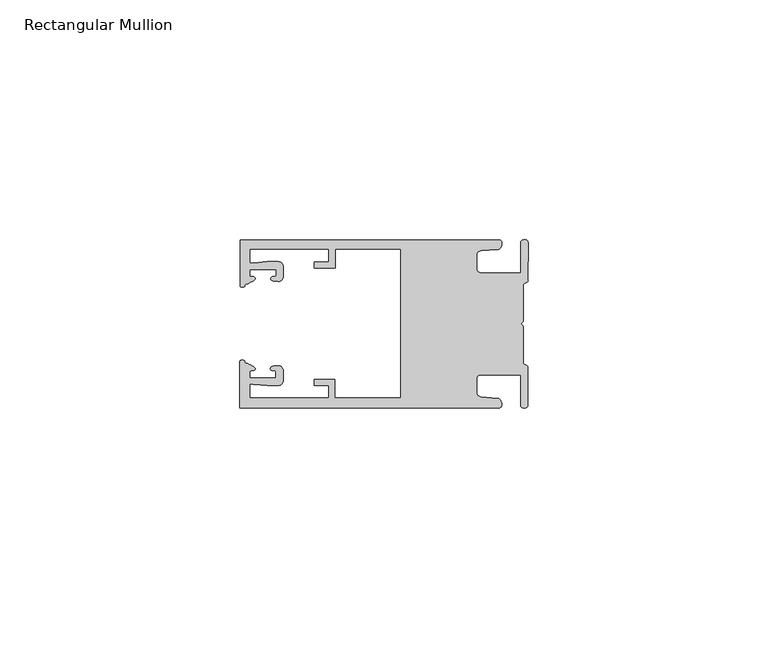
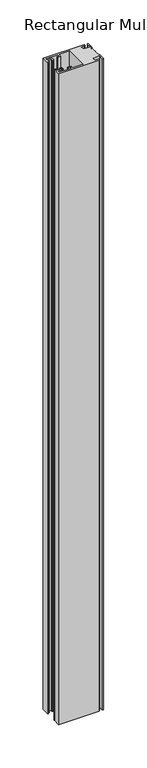
"""IFC4 building model written with IfcOpenShell, lengths in millimetres: member geometry, Rectangular Mullion."""

from ifc_helpers import new_model, si_unit, frame, origin, place, context, project, spatial, circle_curve, source, transform, mapped, element, save
from ifc_brep_helpers import plane_surface, cylinder_surface, extruded_surface, spline_curve, advanced_brep


def rectangular_mullion_aa63e0c1(model_context):
    return source(origin(), model_context, "Body", "AdvancedBrep", [
        advanced_brep(
        [(-60.0749377, 17.5111528, 0.0), (-60.0749377, 8.0140787, 0.0), (-59.3252567, 7.7187455, 0.0), (-58.4967974, 8.36785, 0.0), (-58.0726619, 10.1173923, 0.0), (-58.0713101, 11.3673916, 0.0), (-52.5713133, 11.3614437, 0.0), (-52.5726651, 10.1114444, 0.0), (-53.1427626, 8.8955539, 0.0), (-52.0740172, 8.8609044, 0.0), (-51.0729364, 9.8598224, 0.0), (-51.0706653, 11.9598211, 0.0), (-52.0700692, 12.9609024, 0.0), (-54.3905105, 12.9622843, 0.0), (-57.1599646, 12.7230061, 0.0), (-58.0696339, 12.9173907, 0.0), (-58.066768, 15.5673891, 0.0), (-41.5667584, 15.5673891, 0.0), (-41.5695894, 12.9495468, 0.0), (-44.5695877, 12.9527912, 0.0), (-44.5709936, 11.6527919, 0.0), (-40.2709961, 11.6481417, 0.0), (-40.2667576, 15.5673891, 0.0), (-26.6002952, 15.5673891, 0.0), (-26.6002952, -15.4518424, 0.0), (-40.3003032, -15.4518424, 0.0), (-40.2960856, -11.5518447, 0.0), (-44.5960831, -11.5471945, 0.0), (-44.597489, -12.8471938, 0.0), (-41.5974907, -12.8504381, 0.0), (-41.6003025, -15.4504366, 0.0), (-58.1002928, -15.4325927, 0.0), (-58.097427, -12.7825943, 0.0), (-57.1873395, -12.5901776, 0.0), (-54.4184094, -12.8354453, 0.0), (-52.0979705, -12.8390822, 0.0), (-51.0964037, -11.8401649, 0.0), (-51.0941327, -9.7401662, 0.0), (-52.0930507, -8.7390853, 0.0), (-53.1618685, -8.7714231, 0.0), (-52.5944022, -9.9885439, 0.0), (-52.595754, -11.2385431, 0.0), (-58.0957508, -11.2325952, 0.0), (-58.094399, -9.9825959, 0.0), (-58.5147494, -8.2321403, 0.0), (-59.3418028, -7.5812455, 0.0), (-60.0921208, -7.8749565, 0.0), (-60.0921208, -17.4888267, 0.0), (-6.1024861, -17.4888267, 0.0), (-6.5218639, -15.488372, 0.0), (-9.8784944, -15.2205466, 0.0), (-10.7989567, -14.2226333, 0.0), (-10.7961029, -11.5837474, 0.0), (-9.8734844, -10.5878272, 0.0), (-1.5950266, -10.5934991, 0.0), (-1.601948, -16.9936935, 0.0), (-0.1017194, -16.7830581, 0.0), (-0.0933208, -9.0170082, 0.0), (-1.0923837, -8.1499018, 0.0), (-1.0842165, -0.5977972, 0.0), (-1.0829111, 0.6093089, 0.0), (-1.0747439, 8.1614135, 0.0), (-0.0738079, 9.026357, 0.0), (-0.0654093, 16.7924069, 0.0), (-1.5651789, 17.0062866, 0.0), (-1.5651789, 10.6183257, 0.0), (-9.8505511, 10.6183257, 0.0), (-10.7710133, 11.6162391, 0.0), (-10.7681595, 14.255125, 0.0), (-9.845541, 15.2510452, 0.0), (-6.4883391, 15.5116099, 0.0), (-6.0646356, 17.5111528, 0.0), (-60.0749377, 17.5111528, -914.4), (-6.0646356, 17.5111528, -914.4), (-6.4883391, 15.5116099, -914.4), (-9.845541, 15.2510452, -914.4), (-10.7681595, 14.255125, -914.4), (-10.7710133, 11.6162391, -914.4), (-9.8505511, 10.6183257, -914.4), (-1.5651789, 10.6183257, -914.4), (-1.5651789, 17.0062866, -914.4), (-0.0654093, 16.7924069, -914.4), (-0.0738079, 9.026357, -914.4), (-1.0747439, 8.1614135, -914.4), (-1.0829111, 0.6093089, -914.4), (-1.0842165, -0.5977972, -914.4), (-1.0923837, -8.1499018, -914.4), (-0.0933208, -9.0170082, -914.4), (-0.1017194, -16.7830581, -914.4), (-1.601948, -16.9936935, -914.4), (-1.5950266, -10.5934991, -914.4), (-9.8734844, -10.5878272, -914.4), (-10.7961029, -11.5837474, -914.4), (-10.7989567, -14.2226333, -914.4), (-9.8784944, -15.2205466, -914.4), (-6.5218639, -15.488372, -914.4), (-6.1024861, -17.4888267, -914.4), (-60.0921208, -17.4888267, -914.4), (-60.0921208, -7.8749565, -914.4), (-59.3418028, -7.5812455, -914.4), (-58.5147494, -8.2321403, -914.4), (-58.094399, -9.9825959, -914.4), (-58.0957508, -11.2325952, -914.4), (-52.595754, -11.2385431, -914.4), (-52.5944022, -9.9885439, -914.4), (-53.1618685, -8.7714231, -914.4), (-52.0930507, -8.7390853, -914.4), (-51.0941327, -9.7401662, -914.4), (-51.0964037, -11.8401649, -914.4), (-52.0979705, -12.8390823, -914.4), (-54.4184094, -12.8354453, -914.4), (-57.1873395, -12.5901776, -914.4), (-58.097427, -12.7825943, -914.4), (-58.1002928, -15.4325927, -914.4), (-41.6003025, -15.4504366, -914.4), (-41.5974907, -12.8504381, -914.4), (-44.597489, -12.8471938, -914.4), (-44.5960831, -11.5471945, -914.4), (-40.2960856, -11.5518447, -914.4), (-40.3003032, -15.4518424, -914.4), (-26.6002952, -15.4518424, -914.4), (-26.6002952, 15.5673891, -914.4), (-40.2667576, 15.5673891, -914.4), (-40.2709961, 11.6481417, -914.4), (-44.5709936, 11.6527919, -914.4), (-44.5695877, 12.9527912, -914.4), (-41.5695894, 12.9495468, -914.4), (-41.5667584, 15.5673891, -914.4), (-58.066768, 15.5673891, -914.4), (-58.0696339, 12.9173907, -914.4), (-57.1599646, 12.7230061, -914.4), (-54.3905105, 12.9622843, -914.4), (-52.0700692, 12.9609023, -914.4), (-51.0706653, 11.9598211, -914.4), (-51.0729364, 9.8598224, -914.4), (-52.0740172, 8.8609044, -914.4), (-53.1427626, 8.8955539, -914.4), (-52.5726651, 10.1114444, -914.4), (-52.5713133, 11.3614437, -914.4), (-58.0713101, 11.3673916, -914.4), (-58.0726619, 10.1173923, -914.4), (-58.4967974, 8.36785, -914.4), (-59.3252567, 7.7187455, -914.4), (-60.0749377, 8.0140787, -914.4)],
        [
            (0, 1),
            (1, 2, spline_curve(3, [(-60.0749377, 8.0140787, 0.0), (-60.075233123, 7.740904774, 0.0), (-59.825339491, 7.642460332, 0.0), (-59.3252567, 7.7187455, 0.0)], [4, 4], [0.0, 0.0019169337574178654])),
            (2, 3, spline_curve(3, [(-59.3252567, 7.7187455, 0.0), (-59.094460914, 7.75918372, 0.0), (-59.054835463, 7.902257199, 0.0), (-59.05559987, 8.233305614, 0.0), (-59.138729113, 8.4134359, 0.0), (-58.4967974, 8.36785, 0.0)], [4, 2, 4], [0.0, 0.0010199524164107188, 0.0024874514725970356])),
            (3, 4, spline_curve(3, [(-58.4967974, 8.36785, 0.0), (-57.022393378, 9.053435667, 0.0), (-56.827266887, 9.364828726, 0.0), (-56.982213078, 9.742623404, 0.0), (-57.177375211, 9.855581791, 0.0), (-57.697928101, 9.887955071, 0.0), (-57.997449153, 9.835475348, 0.0), (-58.0726619, 10.1173923, 0.0)], [4, 2, 2, 4], [0.0, 0.003269869179570428, 0.005490050486237203, 0.0073545767114364426])),
            (4, 5),
            (5, 6),
            (6, 7),
            (7, 8, spline_curve(3, [(-52.5726651, 10.1114444, 0.0), (-52.667195519, 9.760172042, 0.0), (-52.937094388, 9.861877724, 0.0), (-53.356237032, 9.895631753, 0.0), (-53.491940439, 9.811038713, 0.0), (-53.761900775, 9.511438033, 0.0), (-53.892893546, 9.278787104, 0.0), (-53.1427626, 8.8955539, 0.0)], [4, 2, 2, 4], [0.0, 0.001593963049934732, 0.0033360256320283306, 0.005339140673503943])),
            (8, 9),
            (9, 10, circle_curve(frame((-52.0729358, 9.8609038, 0.0), z_axis=(0.0, 0.0, 1.0), x_axis=(-0.0010814451158600304, -0.9999994152380598, 0.0)), 1.0)),
            (10, 11),
            (11, 12, circle_curve(frame((-52.0706647, 11.9609026, 0.0), z_axis=(0.0, 0.0, 1.0), x_axis=(-0.0010814451158600304, -0.9999994152380598, 0.0)), 1.0)),
            (12, 13),
            (13, 14),
            (14, 15, spline_curve(3, [(-57.1599646, 12.7230061, 0.0), (-57.631533854, 12.682262968, 0.0), (-58.018602985, 12.477800124, 0.0), (-58.0696339, 12.9173907, 0.0)], [4, 4], [0.0, 0.0014803385355886016])),
            (15, 16),
            (16, 17),
            (17, 18),
            (18, 19),
            (19, 20),
            (20, 21),
            (21, 22),
            (22, 23),
            (23, 24),
            (24, 25),
            (25, 26),
            (26, 27),
            (27, 28),
            (28, 29),
            (29, 30),
            (30, 31),
            (31, 32),
            (32, 33, spline_curve(3, [(-58.097427, -12.7825943, 0.0), (-58.045445419, -12.343115126, 0.0), (-57.658819528, -12.548414611, 0.0), (-57.1873395, -12.5901776, 0.0)], [4, 4], [0.0, 0.0014803385355886016])),
            (33, 34),
            (34, 35),
            (35, 36, circle_curve(frame((-52.0964031, -11.8390835, 0.0), z_axis=(0.0, 0.0, 1.0), x_axis=(0.0010814451158600304, 0.9999994152380598, 0.0)), 1.0)),
            (36, 37),
            (37, 38, circle_curve(frame((-52.0941321, -9.7390847, 0.0), z_axis=(0.0, 0.0, 1.0), x_axis=(0.0010814451158600304, 0.9999994152380598, 0.0)), 1.0)),
            (38, 39),
            (39, 40, spline_curve(3, [(-53.1618685, -8.7714231, 0.0), (-53.912826582, -9.153032958, 0.0), (-53.782337352, -9.385966711, 0.0), (-53.51302565, -9.686150585, 0.0), (-53.377505444, -9.771037009, 0.0), (-52.958290774, -9.738189618, 0.0), (-52.688172635, -9.637067904, 0.0), (-52.5944022, -9.9885439, 0.0)], [4, 2, 2, 4], [0.0, 0.002003115041475612, 0.0037451776235692107, 0.005339140673503943])),
            (40, 41),
            (41, 42),
            (42, 43),
            (43, 44, spline_curve(3, [(-58.094399, -9.9825959, 0.0), (-58.018576674, -9.700842284, 0.0), (-57.719169706, -9.753969703, 0.0), (-57.198548014, -9.722722397, 0.0), (-57.003142178, -9.61018632, 0.0), (-56.847379222, -9.232727657, 0.0), (-57.041831673, -8.920913336, 0.0), (-58.5147494, -8.2321403, 0.0)], [4, 2, 2, 4], [0.0, 0.0018645262251992395, 0.004084707531866015, 0.0073545767114364426])),
            (44, 45, spline_curve(3, [(-58.5147494, -8.2321403, 0.0), (-59.156778208, -8.276337666, 0.0), (-59.073259494, -8.096387681, 0.0), (-59.071779067, -7.765341694, 0.0), (-59.111095017, -7.622182811, 0.0), (-59.3418028, -7.5812455, 0.0)], [4, 2, 4], [0.0, 0.0014674990561863168, 0.0024874514725970356])),
            (45, 46, spline_curve(3, [(-59.3418028, -7.5812455, 0.0), (-59.841719425, -7.503878887, 0.0), (-60.091825377, -7.601782574, 0.0), (-60.0921208, -7.8749565, 0.0)], [4, 4], [0.0, 0.0019169337574178654])),
            (46, 47),
            (47, 48),
            (48, 49, spline_curve(3, [(-6.1024861, -17.4888267, 0.0), (-5.074532184, -17.418062188, 0.0), (-5.631140689, -15.411414367, 0.0), (-6.5218639, -15.488372, 0.0)], [4, 4], [0.0, 0.0043819361547461745])),
            (49, 50),
            (50, 51, spline_curve(3, [(-9.8784944, -15.2205466, 0.0), (-10.440691543, -15.150698463, 0.0), (-10.74751234, -14.818060727, 0.0), (-10.7989567, -14.2226333, 0.0)], [4, 4], [0.0, 0.0028645797420738927])),
            (51, 52),
            (52, 53, spline_curve(3, [(-10.7961029, -11.5837474, 0.0), (-10.743370817, -10.988432634, 0.0), (-10.435831301, -10.656459204, 0.0), (-9.8734844, -10.5878272, 0.0)], [4, 4], [0.0, 0.0028645797420738927])),
            (53, 54),
            (54, 55),
            (55, 56, spline_curve(3, [(-1.601948, -16.9936935, 0.0), (-1.655676874, -17.600261454, 0.0), (-0.043737403, -17.912795581, 0.0), (-0.1017194, -16.7830581, 0.0)], [4, 4], [0.0, 0.0036987374396357936])),
            (56, 57),
            (57, 58, spline_curve(3, [(-0.0933208, -9.0170082, 0.0), (-0.018818183, -8.695886697, 0.0), (-1.193434327, -8.459763043, 0.0), (-1.0923837, -8.1499018, 0.0)], [4, 4], [0.0, 0.002027216749630121])),
            (58, 59),
            (59, 60, spline_curve(3, [(-1.0842165, -0.5977972, 0.0), (-1.013223198, -0.445980437, 0.0), (-1.487945123, -0.206736825, 0.0), (-1.487409651, 0.231097965, 0.0), (-0.999110985, 0.429090391, 0.0), (-1.0829111, 0.6093089, 0.0)], [4, 2, 4], [0.0, 0.00249866671847065, 0.005031402919736269])),
            (60, 61),
            (61, 62, spline_curve(3, [(-1.0747439, 8.1614135, 0.0), (-1.175124095, 8.47149258, 0.0), (-7e-09, 8.705075107, 0.0), (-0.0738079, 9.026357, 0.0)], [4, 4], [0.0, 0.002027216749630121])),
            (62, 63),
            (63, 64, spline_curve(3, [(-0.0654093, 16.7924069, 0.0), (-0.004983942, 17.92201633, 0.0), (-1.617595709, 17.612969344, 0.0), (-1.5651789, 17.0062866, 0.0)], [4, 4], [0.0, 0.0036987374396357936])),
            (64, 65),
            (65, 66),
            (66, 67, spline_curve(3, [(-9.8505511, 10.6183257, 0.0), (-10.412748243, 10.688173837, 0.0), (-10.71956894, 11.020811673, 0.0), (-10.7710133, 11.6162391, 0.0)], [4, 4], [0.0, 0.0028645797420738927])),
            (67, 68),
            (68, 69, spline_curve(3, [(-10.7681595, 14.255125, 0.0), (-10.715427417, 14.850439766, 0.0), (-10.407887901, 15.182413196, 0.0), (-9.845541, 15.2510452, 0.0)], [4, 4], [0.0, 0.0028645797420738927])),
            (69, 70),
            (70, 71, spline_curve(3, [(-6.4883391, 15.5116099, 0.0), (-5.597784423, 15.432725911, 0.0), (-5.036837144, 17.438165103, 0.0), (-6.0646356, 17.5111528, 0.0)], [4, 4], [0.0, 0.0043819361547461745])),
            (71, 0),
            (72, 73),
            (73, 74, spline_curve(3, [(-6.0646356, 17.5111528, -914.4), (-5.036837144, 17.438165103, -914.4), (-5.597784423, 15.432725911, -914.4), (-6.4883391, 15.5116099, -914.4)], [4, 4], [0.0, 0.0043819361547461745])),
            (74, 75),
            (75, 76, spline_curve(3, [(-9.845541, 15.2510452, -914.4), (-10.407887901, 15.182413196, -914.4), (-10.715427417, 14.850439766, -914.4), (-10.7681595, 14.255125, -914.4)], [4, 4], [0.0, 0.0028645797420738927])),
            (76, 77),
            (77, 78, spline_curve(3, [(-10.7710133, 11.6162391, -914.4), (-10.71956894, 11.020811673, -914.4), (-10.412748243, 10.688173837, -914.4), (-9.8505511, 10.6183257, -914.4)], [4, 4], [0.0, 0.0028645797420738927])),
            (78, 79),
            (79, 80),
            (80, 81, spline_curve(3, [(-1.5651789, 17.0062866, -914.4), (-1.617595709, 17.612969344, -914.4), (-0.004983942, 17.92201633, -914.4), (-0.0654093, 16.7924069, -914.4)], [4, 4], [0.0, 0.0036987374396357936])),
            (81, 82),
            (82, 83, spline_curve(3, [(-0.0738079, 9.026357, -914.4), (-7e-09, 8.705075107, -914.4), (-1.175124095, 8.47149258, -914.4), (-1.0747439, 8.1614135, -914.4)], [4, 4], [0.0, 0.002027216749630121])),
            (83, 84),
            (84, 85, spline_curve(3, [(-1.0829111, 0.6093089, -914.4), (-0.999110985, 0.429090391, -914.4), (-1.487409651, 0.231097965, -914.4), (-1.487945123, -0.206736825, -914.4), (-1.013223198, -0.445980437, -914.4), (-1.0842165, -0.5977972, -914.4)], [4, 2, 4], [0.0, 0.002532736201265619, 0.005031402919736269])),
            (85, 86),
            (86, 87, spline_curve(3, [(-1.0923837, -8.1499018, -914.4), (-1.193434327, -8.459763043, -914.4), (-0.018818183, -8.695886697, -914.4), (-0.0933208, -9.0170082, -914.4)], [4, 4], [0.0, 0.002027216749630121])),
            (87, 88),
            (88, 89, spline_curve(3, [(-0.1017194, -16.7830581, -914.4), (-0.043737403, -17.912795581, -914.4), (-1.655676874, -17.600261454, -914.4), (-1.601948, -16.9936935, -914.4)], [4, 4], [0.0, 0.0036987374396357936])),
            (89, 90),
            (90, 91),
            (91, 92, spline_curve(3, [(-9.8734844, -10.5878272, -914.4), (-10.435831301, -10.656459204, -914.4), (-10.743370817, -10.988432634, -914.4), (-10.7961029, -11.5837474, -914.4)], [4, 4], [0.0, 0.0028645797420738927])),
            (92, 93),
            (93, 94, spline_curve(3, [(-10.7989567, -14.2226333, -914.4), (-10.74751234, -14.818060727, -914.4), (-10.440691543, -15.150698463, -914.4), (-9.8784944, -15.2205466, -914.4)], [4, 4], [0.0, 0.0028645797420738927])),
            (94, 95),
            (95, 96, spline_curve(3, [(-6.5218639, -15.488372, -914.4), (-5.631140689, -15.411414367, -914.4), (-5.074532184, -17.418062188, -914.4), (-6.1024861, -17.4888267, -914.4)], [4, 4], [0.0, 0.0043819361547461745])),
            (96, 97),
            (97, 98),
            (98, 99, spline_curve(3, [(-60.0921208, -7.8749565, -914.4), (-60.091825377, -7.601782574, -914.4), (-59.841719425, -7.503878887, -914.4), (-59.3418028, -7.5812455, -914.4)], [4, 4], [0.0, 0.0019169337574178654])),
            (99, 100, spline_curve(3, [(-59.3418028, -7.5812455, -914.4), (-59.111095017, -7.622182811, -914.4), (-59.071779067, -7.765341694, -914.4), (-59.073259494, -8.096387681, -914.4), (-59.156778208, -8.276337666, -914.4), (-58.5147494, -8.2321403, -914.4)], [4, 2, 4], [0.0, 0.0010199524164107188, 0.0024874514725970356])),
            (100, 101, spline_curve(3, [(-58.5147494, -8.2321403, -914.4), (-57.041831673, -8.920913336, -914.4), (-56.847379222, -9.232727657, -914.4), (-57.003142178, -9.61018632, -914.4), (-57.198548014, -9.722722397, -914.4), (-57.719169706, -9.753969703, -914.4), (-58.018576674, -9.700842284, -914.4), (-58.094399, -9.9825959, -914.4)], [4, 2, 2, 4], [0.0, 0.003269869179570428, 0.005490050486237203, 0.0073545767114364426])),
            (101, 102),
            (102, 103),
            (103, 104),
            (104, 105, spline_curve(3, [(-52.5944022, -9.9885439, -914.4), (-52.688172635, -9.637067904, -914.4), (-52.958290774, -9.738189618, -914.4), (-53.377505444, -9.771037009, -914.4), (-53.51302565, -9.686150585, -914.4), (-53.782337352, -9.385966711, -914.4), (-53.912826582, -9.153032958, -914.4), (-53.1618685, -8.7714231, -914.4)], [4, 2, 2, 4], [0.0, 0.001593963049934732, 0.0033360256320283306, 0.005339140673503943])),
            (105, 106),
            (106, 107, circle_curve(frame((-52.0941321, -9.7390847, -914.4), z_axis=(0.0, 0.0, -1.0), x_axis=(0.0010814451158600304, 0.9999994152380598, 0.0)), 1.0)),
            (107, 108),
            (108, 109, circle_curve(frame((-52.0964031, -11.8390835, -914.4), z_axis=(0.0, 0.0, -1.0), x_axis=(0.0010814451158600304, 0.9999994152380598, 0.0)), 1.0)),
            (109, 110),
            (110, 111),
            (111, 112, spline_curve(3, [(-57.1873395, -12.5901776, -914.4), (-57.658819528, -12.548414611, -914.4), (-58.045445419, -12.343115126, -914.4), (-58.097427, -12.7825943, -914.4)], [4, 4], [0.0, 0.0014803385355886016])),
            (112, 113),
            (113, 114),
            (114, 115),
            (115, 116),
            (116, 117),
            (117, 118),
            (118, 119),
            (119, 120),
            (120, 121),
            (121, 122),
            (122, 123),
            (123, 124),
            (124, 125),
            (125, 126),
            (126, 127),
            (127, 128),
            (128, 129),
            (129, 130, spline_curve(3, [(-58.0696339, 12.9173907, -914.4), (-58.018602985, 12.477800124, -914.4), (-57.631533854, 12.682262968, -914.4), (-57.1599646, 12.7230061, -914.4)], [4, 4], [0.0, 0.0014803385355886016])),
            (130, 131),
            (131, 132),
            (132, 133, circle_curve(frame((-52.0706647, 11.9609026, -914.4), z_axis=(0.0, 0.0, -1.0), x_axis=(-0.0010814451158600304, -0.9999994152380598, 0.0)), 1.0)),
            (133, 134),
            (134, 135, circle_curve(frame((-52.0729358, 9.8609038, -914.4), z_axis=(0.0, 0.0, -1.0), x_axis=(-0.0010814451158600304, -0.9999994152380598, 0.0)), 1.0)),
            (135, 136),
            (136, 137, spline_curve(3, [(-53.1427626, 8.8955539, -914.4), (-53.892893546, 9.278787104, -914.4), (-53.761900775, 9.511438033, -914.4), (-53.491940439, 9.811038713, -914.4), (-53.356237032, 9.895631753, -914.4), (-52.937094388, 9.861877724, -914.4), (-52.667195519, 9.760172042, -914.4), (-52.5726651, 10.1114444, -914.4)], [4, 2, 2, 4], [0.0, 0.002003115041475612, 0.0037451776235692107, 0.005339140673503943])),
            (137, 138),
            (138, 139),
            (139, 140),
            (140, 141, spline_curve(3, [(-58.0726619, 10.1173923, -914.4), (-57.997449153, 9.835475348, -914.4), (-57.697928101, 9.887955071, -914.4), (-57.177375211, 9.855581791, -914.4), (-56.982213078, 9.742623404, -914.4), (-56.827266887, 9.364828726, -914.4), (-57.022393378, 9.053435667, -914.4), (-58.4967974, 8.36785, -914.4)], [4, 2, 2, 4], [0.0, 0.0018645262251992395, 0.004084707531866015, 0.0073545767114364426])),
            (141, 142, spline_curve(3, [(-58.4967974, 8.36785, -914.4), (-59.138729113, 8.4134359, -914.4), (-59.05559987, 8.233305614, -914.4), (-59.054835463, 7.902257199, -914.4), (-59.094460914, 7.75918372, -914.4), (-59.3252567, 7.7187455, -914.4)], [4, 2, 4], [0.0, 0.0014674990561863168, 0.0024874514725970356])),
            (142, 143, spline_curve(3, [(-59.3252567, 7.7187455, -914.4), (-59.825339491, 7.642460332, -914.4), (-60.075233123, 7.740904774, -914.4), (-60.0749377, 8.0140787, -914.4)], [4, 4], [0.0, 0.0019169337574178654])),
            (143, 72),
            (0, 72),
            (143, 1),
            (142, 2),
            (141, 3),
            (140, 4),
            (139, 5),
            (138, 6),
            (137, 7),
            (136, 8),
            (135, 9),
            (134, 10),
            (133, 11),
            (132, 12),
            (131, 13),
            (130, 14),
            (129, 15),
            (128, 16),
            (127, 17),
            (126, 18),
            (125, 19),
            (124, 20),
            (123, 21),
            (122, 22),
            (121, 23),
            (120, 24),
            (119, 25),
            (118, 26),
            (117, 27),
            (116, 28),
            (115, 29),
            (114, 30),
            (113, 31),
            (112, 32),
            (111, 33),
            (110, 34),
            (109, 35),
            (108, 36),
            (107, 37),
            (106, 38),
            (105, 39),
            (104, 40),
            (103, 41),
            (102, 42),
            (101, 43),
            (100, 44),
            (99, 45),
            (98, 46),
            (97, 47),
            (96, 48),
            (95, 49),
            (94, 50),
            (93, 51),
            (92, 52),
            (91, 53),
            (90, 54),
            (89, 55),
            (88, 56),
            (87, 57),
            (86, 58),
            (85, 59),
            (84, 60),
            (83, 61),
            (82, 62),
            (81, 63),
            (80, 64),
            (79, 65),
            (78, 66),
            (77, 67),
            (76, 68),
            (75, 69),
            (74, 70),
            (73, 71),
        ],
        [
            plane_surface(frame((0.0, -62.5853181, 0.0), z_axis=(0.0, 0.0, 1.0), x_axis=(-1.0, 0.0, 0.0))),
            plane_surface(frame((0.0, -62.5853181, -914.4), z_axis=(0.0, 0.0, -1.0), x_axis=(-1.0, 0.0, 0.0))),
            plane_surface(frame((-60.0749377, 17.5111528, 0.0), z_axis=(-1.0, 0.0, 0.0), x_axis=(0.0, 0.0, -1.0))),
            extruded_surface(spline_curve(3, [(-60.0749377, 8.0140787, -914.4), (-60.075233123, 7.740904774, -914.4), (-59.825339491, 7.642460332, -914.4), (-59.3252567, 7.7187455, -914.4)], [4, 4], [0.0, 0.0019169337574178654]), (0.0, 0.0, 914.4), 914.4),
            extruded_surface(spline_curve(3, [(-59.3252567, 7.7187455, -914.4), (-59.094460914, 7.75918372, -914.4), (-59.054835463, 7.902257199, -914.4), (-59.05559987, 8.233305614, -914.4), (-59.138729113, 8.4134359, -914.4), (-58.4967974, 8.36785, -914.4)], [4, 2, 4], [0.0, 0.0010199524164107188, 0.0024874514725970356]), (0.0, 0.0, 914.4), 914.4),
            extruded_surface(spline_curve(3, [(-58.4967974, 8.36785, -914.4), (-57.022393378, 9.053435667, -914.4), (-56.827266887, 9.364828726, -914.4), (-56.982213078, 9.742623404, -914.4), (-57.177375211, 9.855581791, -914.4), (-57.697928101, 9.887955071, -914.4), (-57.997449153, 9.835475348, -914.4), (-58.0726619, 10.1173923, -914.4)], [4, 2, 2, 4], [0.0, 0.003269869179570428, 0.005490050486237203, 0.0073545767114364426]), (0.0, 0.0, 914.4), 914.4),
            plane_surface(frame((-58.0726619, 10.1173923, 0.0), z_axis=(0.9999994152380598, -0.0010814451158634145, 0.0), x_axis=(0.0, 0.0, -1.0))),
            plane_surface(frame((-58.0713101, 11.3673916, 0.0), z_axis=(-0.0010814451158616418, -0.9999994152380598, 0.0), x_axis=(0.0, 0.0, -1.0))),
            plane_surface(frame((-52.5713133, 11.3614437, 0.0), z_axis=(-0.9999994152380598, 0.0010814451158643293, 0.0), x_axis=(0.0, 0.0, -1.0))),
            extruded_surface(spline_curve(3, [(-52.5726651, 10.1114444, -914.4), (-52.667195519, 9.760172042, -914.4), (-52.937094388, 9.861877724, -914.4), (-53.356237032, 9.895631753, -914.4), (-53.491940439, 9.811038713, -914.4), (-53.761900775, 9.511438033, -914.4), (-53.892893546, 9.278787104, -914.4), (-53.1427626, 8.8955539, -914.4)], [4, 2, 2, 4], [0.0, 0.001593963049934732, 0.0033360256320283306, 0.005339140673503943]), (0.0, 0.0, 914.4), 914.4),
            plane_surface(frame((-53.1427626, 8.8955539, 0.0), z_axis=(-0.032403661401520414, -0.9994748634797054, 0.0), x_axis=(0.0, 0.0, -1.0))),
            cylinder_surface(frame((-52.0729358, 9.8609038, 0.0), z_axis=(0.0, 0.0, 1.0000000000000002), x_axis=(-0.0010814451158600304, -0.9999994152380598, 0.0)), 1.0),
            plane_surface(frame((-51.0729364, 9.8598224, 0.0), z_axis=(0.9999994152380598, -0.001081445115864059, 0.0), x_axis=(0.0, 0.0, -1.0))),
            cylinder_surface(frame((-52.0706647, 11.9609026, 0.0), z_axis=(0.0, 0.0, 1.0000000000000002), x_axis=(-0.0010814451158600304, -0.9999994152380598, 0.0)), 1.0),
            plane_surface(frame((-52.0700692, 12.9609023, 0.0), z_axis=(0.0005955716436318007, 0.999999822647193, 0.0), x_axis=(0.0, 0.0, -1.0))),
            plane_surface(frame((-54.3905105, 12.9622843, 0.0), z_axis=(-0.08607836189159865, 0.9962883697073147, 0.0), x_axis=(0.0, 0.0, -1.0))),
            extruded_surface(spline_curve(3, [(-57.1599646, 12.7230061, -914.4), (-57.631533854, 12.682262968, -914.4), (-58.018602985, 12.477800124, -914.4), (-58.0696339, 12.9173907, -914.4)], [4, 4], [0.0, 0.0014803385355886016]), (0.0, 0.0, 914.4), 914.4),
            plane_surface(frame((-58.0696339, 12.9173907, 0.0), z_axis=(0.9999994152380598, -0.0010814451158629996, 0.0), x_axis=(0.0, 0.0, -1.0))),
            plane_surface(frame((-58.066768, 15.5673891, 0.0), z_axis=(0.0, -1.0, 0.0), x_axis=(0.0, 0.0, -1.0))),
            plane_surface(frame((-41.5667584, 15.5673891, 0.0), z_axis=(-0.9999994152380598, 0.0010814451158636304, 0.0), x_axis=(0.0, 0.0, -1.0))),
            plane_surface(frame((-41.5695894, 12.9495468, 0.0), z_axis=(0.0010814451158615687, 0.9999994152380598, 0.0), x_axis=(0.0, 0.0, -1.0))),
            plane_surface(frame((-44.5695877, 12.9527912, 0.0), z_axis=(-0.9999994152380598, 0.0010814451158626742, 0.0), x_axis=(0.0, 0.0, -1.0))),
            plane_surface(frame((-44.5709936, 11.6527919, 0.0), z_axis=(-0.001081445115861604, -0.9999994152380598, 0.0), x_axis=(0.0, 0.0, -1.0))),
            plane_surface(frame((-40.2709961, 11.6481417, 0.0), z_axis=(0.9999994152380598, -0.001081445115863507, 0.0), x_axis=(0.0, 0.0, -1.0))),
            plane_surface(frame((-40.2667576, 15.5673891, 0.0), z_axis=(0.0, -1.0, 0.0), x_axis=(0.0, 0.0, -1.0))),
            plane_surface(frame((-26.6002952, 15.5673891, 0.0), z_axis=(-1.0, 0.0, 0.0), x_axis=(0.0, 0.0, -1.0))),
            plane_surface(frame((-26.6002952, -15.4518424, 0.0), z_axis=(0.0, 1.0, 0.0), x_axis=(0.0, 0.0, -1.0))),
            plane_surface(frame((-40.3003032, -15.4518424, 0.0), z_axis=(0.9999994152380598, -0.0010814451158565538, 0.0), x_axis=(0.0, 0.0, -1.0))),
            plane_surface(frame((-40.2960856, -11.5518447, 0.0), z_axis=(0.0010814451158584568, 0.9999994152380598, 0.0), x_axis=(0.0, 0.0, -1.0))),
            plane_surface(frame((-44.5960831, -11.5471945, 0.0), z_axis=(-0.9999994152380598, 0.0010814451158573867, 0.0), x_axis=(0.0, 0.0, -1.0))),
            plane_surface(frame((-44.597489, -12.8471938, 0.0), z_axis=(-0.0010814451158584922, -0.9999994152380598, 0.0), x_axis=(0.0, 0.0, -1.0))),
            plane_surface(frame((-41.5974907, -12.8504381, 0.0), z_axis=(-0.9999994152380598, 0.0010814451158564305, 0.0), x_axis=(0.0, 0.0, -1.0))),
            plane_surface(frame((-41.6003025, -15.4504366, 0.0), z_axis=(0.0010814451158583872, 0.9999994152380598, 0.0), x_axis=(0.0, 0.0, -1.0))),
            plane_surface(frame((-58.1002928, -15.4325927, 0.0), z_axis=(0.9999994152380598, -0.0010814451158570612, 0.0), x_axis=(0.0, 0.0, -1.0))),
            extruded_surface(spline_curve(3, [(-58.097427, -12.7825943, -914.4), (-58.045445419, -12.343115126, -914.4), (-57.658819528, -12.548414611, -914.4), (-57.1873395, -12.5901776, -914.4)], [4, 4], [0.0, 0.0014803385355886016]), (0.0, 0.0, 914.4), 914.4),
            plane_surface(frame((-57.1873395, -12.5901776, 0.0), z_axis=(-0.0882330216729926, -0.9960998614026876, 0.0), x_axis=(0.0, 0.0, -1.0))),
            plane_surface(frame((-54.4184094, -12.8354453, 0.0), z_axis=(-0.0015673183327880543, -0.9999987717558677, 0.0), x_axis=(0.0, 0.0, -1.0))),
            cylinder_surface(frame((-52.0964031, -11.8390835, 0.0), z_axis=(0.0, 0.0, 1.0000000000000002), x_axis=(0.0010814451158600304, 0.9999994152380598, 0.0)), 1.0),
            plane_surface(frame((-51.0964037, -11.8401649, 0.0), z_axis=(0.9999994152380598, -0.001081445115856002, 0.0), x_axis=(0.0, 0.0, -1.0))),
            cylinder_surface(frame((-52.0941321, -9.7390847, 0.0), z_axis=(0.0, 0.0, 1.0000000000000002), x_axis=(0.0010814451158600304, 0.9999994152380598, 0.0)), 1.0),
            plane_surface(frame((-52.0930507, -8.7390853, 0.0), z_axis=(-0.030241832452872642, 0.9995426111826812, 0.0), x_axis=(0.0, 0.0, -1.0))),
            extruded_surface(spline_curve(3, [(-53.1618685, -8.7714231, -914.4), (-53.912826582, -9.153032958, -914.4), (-53.782337352, -9.385966711, -914.4), (-53.51302565, -9.686150585, -914.4), (-53.377505444, -9.771037009, -914.4), (-52.958290774, -9.738189618, -914.4), (-52.688172635, -9.637067904, -914.4), (-52.5944022, -9.9885439, -914.4)], [4, 2, 2, 4], [0.0, 0.002003115041475612, 0.0037451776235692107, 0.005339140673503943]), (0.0, 0.0, 914.4), 914.4),
            plane_surface(frame((-52.5944022, -9.9885439, 0.0), z_axis=(-0.9999994152380598, 0.0010814451158557316, 0.0), x_axis=(0.0, 0.0, -1.0))),
            plane_surface(frame((-52.595754, -11.2385431, 0.0), z_axis=(0.001081445115858419, 0.9999994152380598, 0.0), x_axis=(0.0, 0.0, -1.0))),
            plane_surface(frame((-58.0957508, -11.2325952, 0.0), z_axis=(0.9999994152380598, -0.0010814451158566464, 0.0), x_axis=(0.0, 0.0, -1.0))),
            extruded_surface(spline_curve(3, [(-58.094399, -9.9825959, -914.4), (-58.018576674, -9.700842284, -914.4), (-57.719169706, -9.753969703, -914.4), (-57.198548014, -9.722722397, -914.4), (-57.003142178, -9.61018632, -914.4), (-56.847379222, -9.232727657, -914.4), (-57.041831673, -8.920913336, -914.4), (-58.5147494, -8.2321403, -914.4)], [4, 2, 2, 4], [0.0, 0.0018645262251992395, 0.004084707531866015, 0.0073545767114364426]), (0.0, 0.0, 914.4), 914.4),
            extruded_surface(spline_curve(3, [(-58.5147494, -8.2321403, -914.4), (-59.156778208, -8.276337666, -914.4), (-59.073259494, -8.096387681, -914.4), (-59.071779067, -7.765341694, -914.4), (-59.111095017, -7.622182811, -914.4), (-59.3418028, -7.5812455, -914.4)], [4, 2, 4], [0.0, 0.0014674990561863168, 0.0024874514725970356]), (0.0, 0.0, 914.4), 914.4),
            extruded_surface(spline_curve(3, [(-59.3418028, -7.5812455, -914.4), (-59.841719425, -7.503878887, -914.4), (-60.091825377, -7.601782574, -914.4), (-60.0921208, -7.8749565, -914.4)], [4, 4], [0.0, 0.0019169337574178654]), (0.0, 0.0, 914.4), 914.4),
            plane_surface(frame((-60.0921208, -7.8749565, 0.0), z_axis=(-1.0, 0.0, 0.0), x_axis=(0.0, 0.0, -1.0))),
            plane_surface(frame((-60.0921208, -17.4888267, 0.0), z_axis=(0.0, -1.0, 0.0), x_axis=(0.0, 0.0, -1.0))),
            extruded_surface(spline_curve(3, [(-6.1024861, -17.4888267, -914.4), (-5.074532184, -17.418062188, -914.4), (-5.631140689, -15.411414367, -914.4), (-6.5218639, -15.488372, -914.4)], [4, 4], [0.0, 0.0043819361547461745]), (0.0, 0.0, 914.4), 914.4),
            plane_surface(frame((-6.5218639, -15.488372, 0.0), z_axis=(0.07953716124904908, 0.9968319015663789, 0.0), x_axis=(0.0, 0.0, -1.0))),
            extruded_surface(spline_curve(3, [(-9.8784944, -15.2205466, -914.4), (-10.440691543, -15.150698463, -914.4), (-10.74751234, -14.818060727, -914.4), (-10.7989567, -14.2226333, -914.4)], [4, 4], [0.0, 0.0028645797420738927]), (0.0, 0.0, 914.4), 914.4),
            plane_surface(frame((-10.7989567, -14.2226333, 0.0), z_axis=(0.9999994152380598, -0.0010814451158568247, 0.0), x_axis=(0.0, 0.0, -1.0))),
            extruded_surface(spline_curve(3, [(-10.7961029, -11.5837474, -914.4), (-10.743370817, -10.988432634, -914.4), (-10.435831301, -10.656459204, -914.4), (-9.8734844, -10.5878272, -914.4)], [4, 4], [0.0, 0.0028645797420738927]), (0.0, 0.0, 914.4), 914.4),
            plane_surface(frame((-9.8734844, -10.5878272, 0.0), z_axis=(-0.0006851371995361226, -0.9999997652934814, 0.0), x_axis=(0.0, 0.0, -1.0))),
            plane_surface(frame((-1.5950266, -10.5934991, 0.0), z_axis=(-0.9999994152380598, 0.0010814451158568644, 0.0), x_axis=(0.0, 0.0, -1.0))),
            extruded_surface(spline_curve(3, [(-1.601948, -16.9936935, -914.4), (-1.655676874, -17.600261454, -914.4), (-0.043737403, -17.912795581, -914.4), (-0.1017194, -16.7830581, -914.4)], [4, 4], [0.0, 0.0036987374396357936]), (0.0, 0.0, 914.4), 914.4),
            plane_surface(frame((-0.1017194, -16.7830581, 0.0), z_axis=(0.9999994152380598, -0.001081445115856699, 0.0), x_axis=(0.0, 0.0, -1.0))),
            extruded_surface(spline_curve(3, [(-0.0933208, -9.0170082, -914.4), (-0.018818183, -8.695886697, -914.4), (-1.193434327, -8.459763043, -914.4), (-1.0923837, -8.1499018, -914.4)], [4, 4], [0.0, 0.002027216749630121]), (0.0, 0.0, 914.4), 914.4),
            plane_surface(frame((-1.0923837, -8.1499018, 0.0), z_axis=(0.9999994152380598, -0.0010814451158566698, 0.0), x_axis=(0.0, 0.0, -1.0))),
            extruded_surface(spline_curve(3, [(-1.0842165, -0.5977972, -914.4), (-1.013223198, -0.445980437, -914.4), (-1.487945123, -0.206736825, -914.4), (-1.487409651, 0.231097965, -914.4), (-0.999110985, 0.429090391, -914.4), (-1.0829111, 0.6093089, -914.4)], [4, 2, 4], [0.0, 0.00249866671847065, 0.005031402919736269]), (0.0, 0.0, 914.4), 914.4),
            plane_surface(frame((-1.0829111, 0.6093089, 0.0), z_axis=(0.9999994152380598, -0.001081445115863391, 0.0), x_axis=(0.0, 0.0, -1.0))),
            extruded_surface(spline_curve(3, [(-1.0747439, 8.1614135, -914.4), (-1.175124095, 8.47149258, -914.4), (-7e-09, 8.705075107, -914.4), (-0.0738079, 9.026357, -914.4)], [4, 4], [0.0, 0.002027216749630121]), (0.0, 0.0, 914.4), 914.4),
            plane_surface(frame((-0.0738079, 9.026357, 0.0), z_axis=(0.9999994152380598, -0.001081445115863362, 0.0), x_axis=(0.0, 0.0, -1.0))),
            extruded_surface(spline_curve(3, [(-0.0654093, 16.7924069, -914.4), (-0.004983942, 17.92201633, -914.4), (-1.617595709, 17.612969344, -914.4), (-1.5651789, 17.0062866, -914.4)], [4, 4], [0.0, 0.0036987374396357936]), (0.0, 0.0, 914.4), 914.4),
            plane_surface(frame((-1.5651789, 17.0062866, 0.0), z_axis=(-1.0, 0.0, 0.0), x_axis=(0.0, 0.0, -1.0))),
            plane_surface(frame((-1.5651789, 10.6183257, 0.0), z_axis=(0.0, 1.0, 0.0), x_axis=(0.0, 0.0, -1.0))),
            extruded_surface(spline_curve(3, [(-9.8505511, 10.6183257, -914.4), (-10.412748243, 10.688173837, -914.4), (-10.71956894, 11.020811673, -914.4), (-10.7710133, 11.6162391, -914.4)], [4, 4], [0.0, 0.0028645797420738927]), (0.0, 0.0, 914.4), 914.4),
            plane_surface(frame((-10.7710133, 11.6162391, 0.0), z_axis=(0.9999994152380598, -0.0010814451158632362, 0.0), x_axis=(0.0, 0.0, -1.0))),
            extruded_surface(spline_curve(3, [(-10.7681595, 14.255125, -914.4), (-10.715427417, 14.850439766, -914.4), (-10.407887901, 15.182413196, -914.4), (-9.845541, 15.2510452, -914.4)], [4, 4], [0.0, 0.0028645797420738927]), (0.0, 0.0, 914.4), 914.4),
            plane_surface(frame((-9.845541, 15.2510452, 0.0), z_axis=(0.07738093848608862, -0.9970015999781607, 0.0), x_axis=(0.0, 0.0, -1.0))),
            extruded_surface(spline_curve(3, [(-6.4883391, 15.5116099, -914.4), (-5.597784423, 15.432725911, -914.4), (-5.036837144, 17.438165103, -914.4), (-6.0646356, 17.5111528, -914.4)], [4, 4], [0.0, 0.0043819361547461745]), (0.0, 0.0, 914.4), 914.4),
            plane_surface(frame((-6.0646356, 17.5111528, 0.0), z_axis=(0.0, 1.0, 0.0), x_axis=(0.0, 0.0, -1.0))),
        ],
        [
            (0, [[1, 2, 3, 4, 5, 6, 7, 8, 9, 10, 11, 12, 13, 14, 15, 16, 17, 18, 19, 20, 21, 22, 23, 24, 25, 26, 27, 28, 29, 30, 31, 32, 33, 34, 35, 36, 37, 38, 39, 40, 41, 42, 43, 44, 45, 46, 47, 48, 49, 50, 51, 52, 53, 54, 55, 56, 57, 58, 59, 60, 61, 62, 63, 64, 65, 66, 67, 68, 69, 70, 71, 72]]),
            (1, [[73, 74, 75, 76, 77, 78, 79, 80, 81, 82, 83, 84, 85, 86, 87, 88, 89, 90, 91, 92, 93, 94, 95, 96, 97, 98, 99, 100, 101, 102, 103, 104, 105, 106, 107, 108, 109, 110, 111, 112, 113, 114, 115, 116, 117, 118, 119, 120, 121, 122, 123, 124, 125, 126, 127, 128, 129, 130, 131, 132, 133, 134, 135, 136, 137, 138, 139, 140, 141, 142, 143, 144]]),
            (2, [[-1, 145, -144, 146]]),
            (3, [[-2, -146, -143, 147]]),
            (4, [[-3, -147, -142, 148]]),
            (5, [[-4, -148, -141, 149]]),
            (6, [[-5, -149, -140, 150]]),
            (7, [[-6, -150, -139, 151]]),
            (8, [[-7, -151, -138, 152]]),
            (9, [[-8, -152, -137, 153]]),
            (10, [[-9, -153, -136, 154]]),
            (11, [[-10, -154, -135, 155]]),
            (12, [[-11, -155, -134, 156]]),
            (13, [[-12, -156, -133, 157]]),
            (14, [[-13, -157, -132, 158]]),
            (15, [[-14, -158, -131, 159]]),
            (16, [[-15, -159, -130, 160]]),
            (17, [[-16, -160, -129, 161]]),
            (18, [[-17, -161, -128, 162]]),
            (19, [[-18, -162, -127, 163]]),
            (20, [[-19, -163, -126, 164]]),
            (21, [[-20, -164, -125, 165]]),
            (22, [[-21, -165, -124, 166]]),
            (23, [[-22, -166, -123, 167]]),
            (24, [[-23, -167, -122, 168]]),
            (25, [[-24, -168, -121, 169]]),
            (26, [[-25, -169, -120, 170]]),
            (27, [[-26, -170, -119, 171]]),
            (28, [[-27, -171, -118, 172]]),
            (29, [[-28, -172, -117, 173]]),
            (30, [[-29, -173, -116, 174]]),
            (31, [[-30, -174, -115, 175]]),
            (32, [[-31, -175, -114, 176]]),
            (33, [[-32, -176, -113, 177]]),
            (34, [[-33, -177, -112, 178]]),
            (35, [[-34, -178, -111, 179]]),
            (36, [[-35, -179, -110, 180]]),
            (37, [[-36, -180, -109, 181]]),
            (38, [[-37, -181, -108, 182]]),
            (39, [[-38, -182, -107, 183]]),
            (40, [[-39, -183, -106, 184]]),
            (41, [[-40, -184, -105, 185]]),
            (42, [[-41, -185, -104, 186]]),
            (43, [[-42, -186, -103, 187]]),
            (44, [[-43, -187, -102, 188]]),
            (45, [[-44, -188, -101, 189]]),
            (46, [[-45, -189, -100, 190]]),
            (47, [[-46, -190, -99, 191]]),
            (48, [[-47, -191, -98, 192]]),
            (49, [[-48, -192, -97, 193]]),
            (50, [[-49, -193, -96, 194]]),
            (51, [[-50, -194, -95, 195]]),
            (52, [[-51, -195, -94, 196]]),
            (53, [[-52, -196, -93, 197]]),
            (54, [[-53, -197, -92, 198]]),
            (55, [[-54, -198, -91, 199]]),
            (56, [[-55, -199, -90, 200]]),
            (57, [[-56, -200, -89, 201]]),
            (58, [[-57, -201, -88, 202]]),
            (59, [[-58, -202, -87, 203]]),
            (60, [[-59, -203, -86, 204]]),
            (61, [[-60, -204, -85, 205]]),
            (62, [[-61, -205, -84, 206]]),
            (63, [[-62, -206, -83, 207]]),
            (64, [[-63, -207, -82, 208]]),
            (65, [[-64, -208, -81, 209]]),
            (66, [[-65, -209, -80, 210]]),
            (67, [[-66, -210, -79, 211]]),
            (68, [[-67, -211, -78, 212]]),
            (69, [[-68, -212, -77, 213]]),
            (70, [[-69, -213, -76, 214]]),
            (71, [[-70, -214, -75, 215]]),
            (72, [[-71, -215, -74, 216]]),
            (73, [[-72, -216, -73, -145]]),
        ],
    ),
    ])


if __name__ == "__main__":
    model = new_model("IFC4")
    model_context = context("Model", 3, world=origin())
    ifc_project = project(units=[si_unit("LENGTHUNIT", "METRE", prefix="MILLI")], contexts=[model_context])
    site = spatial("IfcSite", under=ifc_project)
    building = spatial("IfcBuilding", under=site)
    placement = place(None, origin())
    rectangular_mullion_shape = rectangular_mullion_aa63e0c1(model_context)
    element("IfcMember", 1, ObjectType="Rectangular Mullion", at=placement, inside=building, context=model_context, shape_type="MappedRepresentation", body=[
        mapped(rectangular_mullion_shape, transform((0.0, 0.0, 0.0), x_axis=(1.0, 0.0, 0.0), y_axis=(0.0, 1.0, 0.0), z_axis=(0.0, 0.0, 1.0))),
    ])
    save(model, "model.ifc")
